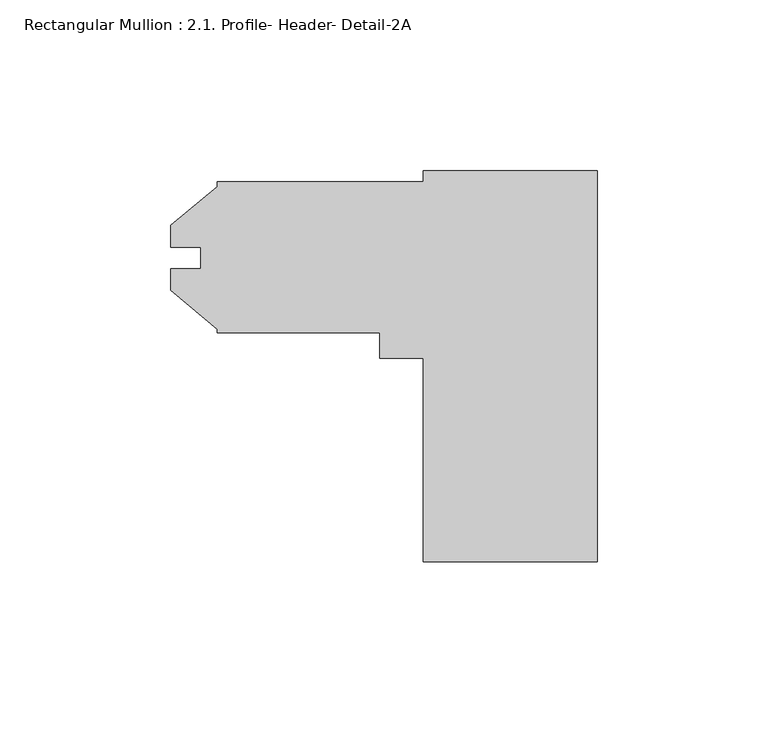
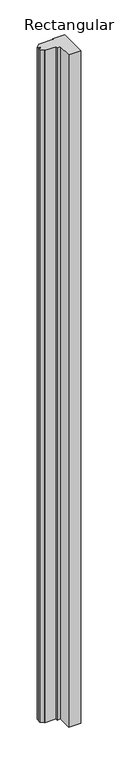
"""IFC4 building model written with IfcOpenShell, lengths in millimetres: member geometry, Rectangular Mullion : 2.1. Profile- Header- Detail-2A."""

from ifc_helpers import new_model, si_unit, frame, origin, place, context, project, spatial, polyline, outline, extrude, source, transform, mapped, element, save


def rectangular_mullion_2_1_profile_header_detail_2a_a0f8f58f(model_context):
    return source(origin(), model_context, "Body", "SweptSolid", [
        extrude(outline(polyline([(-50.798984, 57.15), (0.0, 57.15), (0.0, -57.15), (-50.798984, -57.15), (-50.798984, 2.3622), (-63.498984, 2.3622), (-63.498984, 9.8552), (-111.123984, 9.8552), (-111.123984, 10.9217067), (-124.585984, 22.217666), (-124.585984, 28.5879445), (-115.899184, 28.5879445), (-115.899184, 34.9120555), (-124.585984, 34.9120555), (-124.585984, 41.282334), (-111.123984, 52.5782933), (-111.123984, 53.975), (-50.798984, 53.975), (-50.798984, 57.15)])), frame((0.0, 0.0, -2952.75), z_axis=(0.0, 0.0, 1.0), x_axis=(1.0, 0.0, 0.0)), (0.0, 0.0, 1.0), 2952.75),
    ])


if __name__ == "__main__":
    model = new_model("IFC4")
    model_context = context("Model", 3, world=origin())
    ifc_project = project(units=[si_unit("LENGTHUNIT", "METRE", prefix="MILLI")], contexts=[model_context])
    site = spatial("IfcSite", under=ifc_project)
    building = spatial("IfcBuilding", under=site)
    placement = place(None, origin())
    rectangular_mullion_2_1_profile_header_detail_2a_shape = rectangular_mullion_2_1_profile_header_detail_2a_a0f8f58f(model_context)
    element("IfcMember", 1, ObjectType="Rectangular Mullion : 2.1. Profile- Header- Detail-2A", at=placement, inside=building, context=model_context, shape_type="MappedRepresentation", body=[
        mapped(rectangular_mullion_2_1_profile_header_detail_2a_shape, transform((0.0, 0.0, 0.0), x_axis=(1.0, 0.0, 0.0), y_axis=(0.0, 1.0, 0.0), z_axis=(0.0, 0.0, 1.0))),
    ])
    save(model, "model.ifc")
